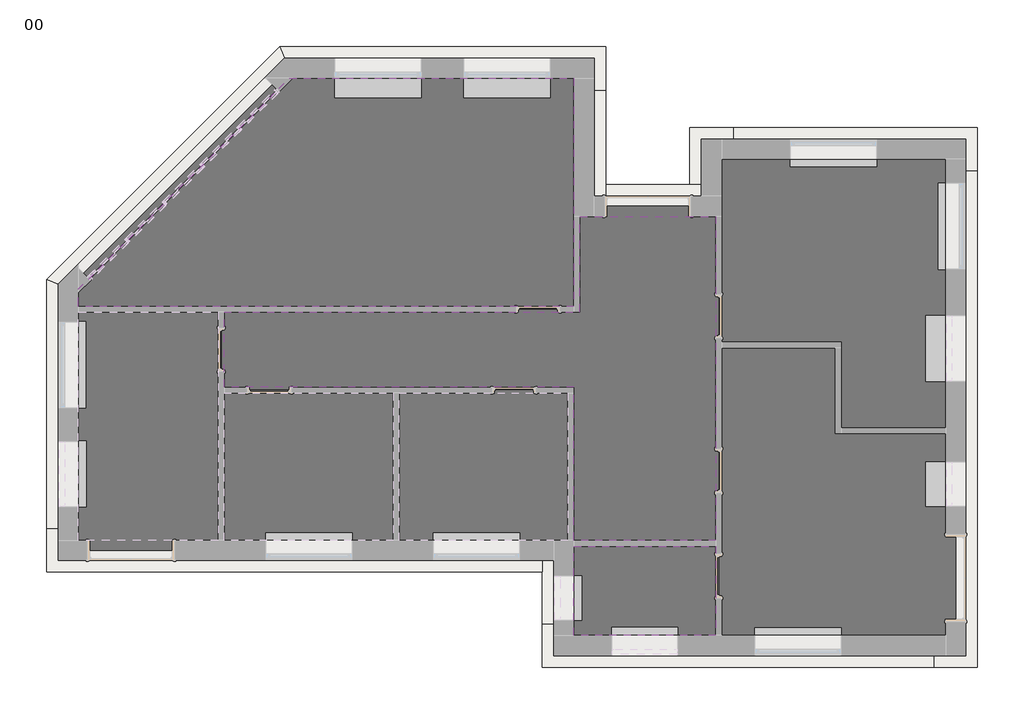
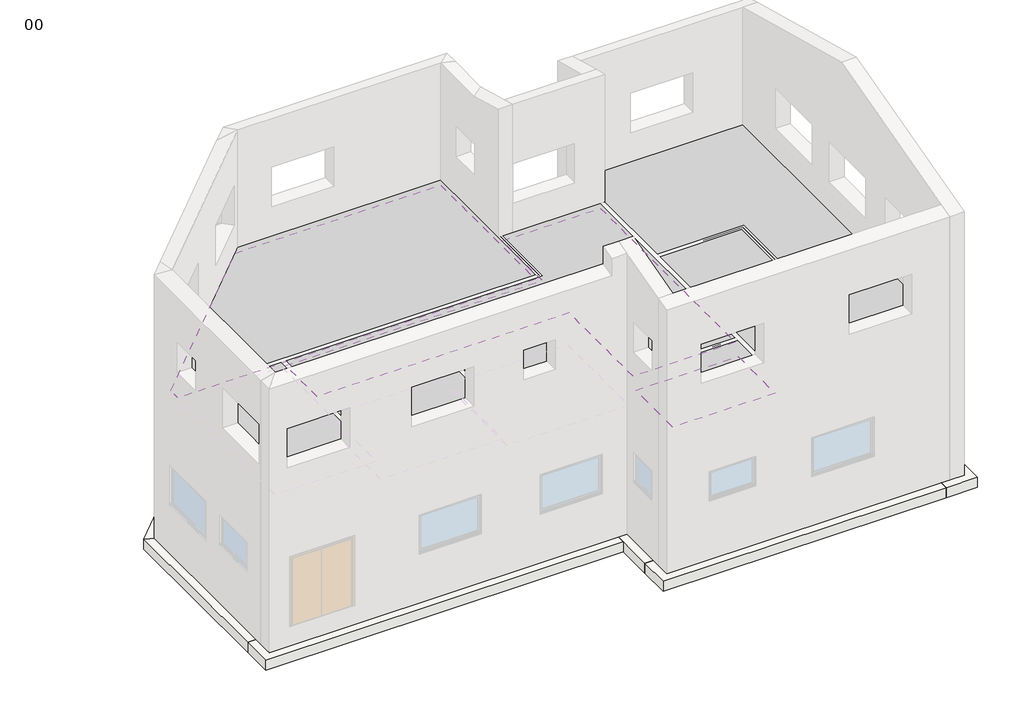
# One storey, part 3 of 3: 16 proxies, 11 footings, 3 coverings, 1 slab.
"""IFC4 building model written with IfcOpenShell, lengths in millimetres."""

from ifc_helpers import new_model, si_unit, frame, origin, place, context, project, spatial, polyline, outline, extrude, faceted_brep, element, save

model = new_model("IFC4")

# Units and contexts
model_context = context("Model", 3, world=origin())
ifc_project = project(units=[si_unit("LENGTHUNIT", "METRE", prefix="MILLI")], contexts=[model_context])

# Site, building, storey
site = spatial("IfcSite", under=ifc_project)
building = spatial("IfcBuilding", under=site)
storey = spatial("IfcBuildingStorey", under=building, Name="00", Elevation=0.0)

# Proxies
placement = place(None, origin())
element("IfcBuildingElementProxy", 1, Name="Generic Models", at=placement, inside=storey, context=model_context, shape_type="Brep", body=[
    faceted_brep([(-3724.4848228, 5823.5043909, 2110.0), (-1889.4848228, 5823.5043909, 2110.0), (-1889.4848228, 5192.0092682, 2110.0), (-3724.4848228, 5192.0092682, 2110.0), (-3724.4848228, 5823.5043909, 900.0), (-3724.4848228, 5192.0092682, 900.0), (-1889.4848228, 5823.5043909, 900.0), (-1889.4848228, 5192.0092682, 900.0), (-1014.4848228, 5823.5043909, 2110.0), (820.5151772, 5823.5043909, 2110.0), (820.5151772, 5192.0092682, 2110.0), (-1014.4848228, 5192.0092682, 2110.0), (-1014.4848228, 5823.5043909, 900.0), (-1014.4848228, 5192.0092682, 900.0), (820.5151772, 5823.5043909, 900.0), (820.5151772, 5192.0092682, 900.0), (1520.5151772, 2923.5043909, 0.0), (1520.5151772, 5823.5043909, 0.0), (1520.5151772, 5823.5043909, 4000.0), (1520.5151772, 2923.5043909, 4000.0), (1370.5151772, 2923.5043909, 0.0), (1370.5151772, 2923.5043909, 4000.0), (1370.5151772, 761.0043909, 0.0), (1370.5151772, 2770.4947909, 0.0), (1370.5151772, 2770.4947909, 4000.0), (1370.5151772, 761.0043909, 4000.0), (-9304.4848228, 761.0043909, 0.0), (-6091.9848228, 761.0043909, 0.0), (-6091.9848228, 761.0043909, 4000.0), (-9304.4848228, 761.0043909, 4000.0), (-9304.4848228, 1199.0247729, 0.0), (-9304.4848228, 1199.0247729, 4000.0), (-4680.0052048, 5823.5043909, 0.0), (-4680.0052048, 5823.5043909, 4000.0)], [[[0, 1, 2, 3]], [[4, 0, 3, 5]], [[6, 4, 5, 7]], [[5, 3, 2, 7]], [[1, 6, 7, 2]], [[8, 9, 10, 11]], [[12, 8, 11, 13]], [[14, 12, 13, 15]], [[13, 11, 10, 15]], [[9, 14, 15, 10]], [[16, 17, 18, 19]], [[20, 16, 19, 21]], [[22, 23, 20, 21, 24, 25]], [[26, 27, 22, 25, 28, 29]], [[30, 26, 29, 31]], [[32, 30, 31, 33]], [[17, 32, 33, 18], [4, 6, 1, 0], [12, 14, 9, 8]], [[18, 33, 31, 29, 28, 25, 24, 21, 19]], [[32, 17, 16, 20, 23, 22, 27, 26, 30]]]),
])
element("IfcBuildingElementProxy", 2, Name="Generic Models", at=placement, inside=storey, context=model_context, shape_type="Brep", body=[
    faceted_brep([(-9304.4848228, -3392.7456091, 2110.0), (-9304.4848228, -2007.7456091, 2110.0), (-8923.1857983, -2007.7456091, 2110.0), (-8923.1857983, -3392.7456091, 2110.0), (-9304.4848228, -3392.7456091, 1200.0), (-8923.1857983, -3392.7456091, 1200.0), (-9304.4848228, -2007.7456091, 1200.0), (-8923.1857983, -2007.7456091, 1200.0), (-9304.4848228, -1323.9956091, 2110.0), (-9304.4848228, 511.0043909, 2110.0), (-8923.1857983, 511.0043909, 2110.0), (-8923.1857983, -1323.9956091, 2110.0), (-9304.4848228, -1323.9956091, 900.0), (-8923.1857983, -1323.9956091, 900.0), (-9304.4848228, 511.0043909, 900.0), (-8923.1857983, 511.0043909, 900.0), (-9304.4848228, 761.0043909, 0.0), (-9304.4848228, -4301.4956091, 0.0), (-9304.4848228, -4301.4956091, 4000.0), (-9304.4848228, 761.0043909, 4000.0), (-6091.9848228, 761.0043909, 0.0), (-6091.9848228, 761.0043909, 4000.0), (-6091.9848228, -4301.4956091, 0.0), (-6091.9848228, -938.9956091, 0.0), (-6091.9848228, -938.9956091, 4000.0), (-6091.9848228, -4301.4956091, 4000.0)], [[[0, 1, 2, 3]], [[4, 0, 3, 5]], [[6, 4, 5, 7]], [[1, 6, 7, 2]], [[5, 3, 2, 7]], [[8, 9, 10, 11]], [[12, 8, 11, 13]], [[14, 12, 13, 15]], [[9, 14, 15, 10]], [[13, 11, 10, 15]], [[16, 17, 18, 19], [4, 6, 1, 0], [12, 14, 9, 8]], [[20, 16, 19, 21]], [[22, 23, 20, 21, 24, 25]], [[17, 22, 25, 18]], [[18, 25, 24, 21, 19]], [[22, 17, 16, 20, 23]]]),
])
element("IfcBuildingElementProxy", 3, Name="Generic Models", at=placement, inside=storey, context=model_context, shape_type="Brep", body=[
    faceted_brep([(-3336.9848228, -4301.4956091, 2110.0), (-5171.9848228, -4301.4956091, 2110.0), (-5171.9848228, -3920.1965846, 2110.0), (-3336.9848228, -3920.1965846, 2110.0), (-3336.9848228, -4301.4956091, 900.0), (-3336.9848228, -3920.1965846, 900.0), (-5171.9848228, -4301.4956091, 900.0), (-5171.9848228, -3920.1965846, 900.0), (-6091.9848228, -938.9956091, 0.0), (-6091.9848228, -4301.4956091, 0.0), (-6091.9848228, -4301.4956091, 4000.0), (-6091.9848228, -938.9956091, 4000.0), (-2416.9848228, -938.9956091, 0.0), (-2416.9848228, -938.9956091, 4000.0), (-2416.9848228, -4301.4956091, 0.0), (-2416.9848228, -4301.4956091, 4000.0)], [[[0, 1, 2, 3]], [[4, 0, 3, 5]], [[6, 4, 5, 7]], [[1, 6, 7, 2]], [[5, 3, 2, 7]], [[8, 9, 10, 11]], [[12, 8, 11, 13]], [[14, 12, 13, 15]], [[9, 14, 15, 10], [4, 6, 1, 0]], [[10, 15, 13, 11]], [[14, 9, 8, 12]]]),
])
element("IfcBuildingElementProxy", 4, Name="Generic Models", at=placement, inside=storey, context=model_context, shape_type="Brep", body=[
    faceted_brep([(181.7651772, -4301.4956091, 2110.0), (-1653.2348228, -4301.4956091, 2110.0), (-1653.2348228, -3920.1965846, 2110.0), (181.7651772, -3920.1965846, 2110.0), (181.7651772, -4301.4956091, 900.0), (181.7651772, -3920.1965846, 900.0), (-1653.2348228, -4301.4956091, 900.0), (-1653.2348228, -3920.1965846, 900.0), (-2416.9848228, -938.9956091, 0.0), (-2416.9848228, -4301.4956091, 0.0), (-2416.9848228, -4301.4956091, 4000.0), (-2416.9848228, -938.9956091, 4000.0), (1245.5151772, -938.9956091, 0.0), (1245.5151772, -938.9956091, 4000.0), (1245.5151772, -4301.4956091, 0.0), (1245.5151772, -4301.4956091, 4000.0)], [[[0, 1, 2, 3]], [[4, 0, 3, 5]], [[6, 4, 5, 7]], [[1, 6, 7, 2]], [[5, 3, 2, 7]], [[8, 9, 10, 11]], [[12, 8, 11, 13]], [[14, 12, 13, 15]], [[9, 14, 15, 10], [4, 6, 1, 0]], [[10, 15, 13, 11]], [[14, 9, 8, 12]]]),
])
element("IfcBuildingElementProxy", 5, Name="Generic Models", at=placement, inside=storey, context=model_context, shape_type="Brep", body=[
    faceted_brep([(9320.5151772, 629.7543909, 2110.0), (9320.5151772, -755.2456091, 2110.0), (8689.0200545, -755.2456091, 2110.0), (8689.0200545, 629.7543909, 2110.0), (9320.5151772, 629.7543909, 1200.0), (8689.0200545, 629.7543909, 1200.0), (9320.5151772, -755.2456091, 1200.0), (8689.0200545, -755.2456091, 1200.0), (9320.5151772, 3423.5043909, 2110.0), (9320.5151772, 1588.5043909, 2110.0), (8939.2161526, 1588.5043909, 2110.0), (8939.2161526, 3423.5043909, 2110.0), (9320.5151772, 3423.5043909, 900.0), (8939.2161526, 3423.5043909, 900.0), (9320.5151772, 1588.5043909, 900.0), (8939.2161526, 1588.5043909, 900.0), (5840.5151772, 4123.5043909, 2110.0), (7675.5151772, 4123.5043909, 2110.0), (7675.5151772, 3742.2053664, 2110.0), (5840.5151772, 3742.2053664, 2110.0), (5840.5151772, 4123.5043909, 900.0), (5840.5151772, 3742.2053664, 900.0), (7675.5151772, 4123.5043909, 900.0), (7675.5151772, 3742.2053664, 900.0), (9320.5151772, 4123.5043909, 0.0), (4195.5151772, 4123.5043909, 0.0), (4195.5151772, 4123.5043909, 4000.0), (9320.5151772, 4123.5043909, 4000.0), (9320.5151772, -1788.9956091, 0.0), (9320.5151772, -1788.9956091, 4000.0), (6858.0151772, -1788.9956091, 0.0), (6858.0151772, -1788.9956091, 4000.0), (6858.0151772, 11.0043909, 0.0), (6858.0151772, 11.0043909, 4000.0), (4345.5151772, 11.0043909, 0.0), (4345.5151772, 11.0043909, 4000.0), (4345.5151772, 2923.5043909, 0.0), (4345.5151772, 2770.4947909, 0.0), (4345.5151772, 2770.4947909, 4000.0), (4345.5151772, 2923.5043909, 4000.0), (4195.5151772, 2923.5043909, 0.0), (4195.5151772, 2923.5043909, 4000.0)], [[[0, 1, 2, 3]], [[4, 0, 3, 5]], [[6, 4, 5, 7]], [[1, 6, 7, 2]], [[5, 3, 2, 7]], [[8, 9, 10, 11]], [[12, 8, 11, 13]], [[14, 12, 13, 15]], [[9, 14, 15, 10]], [[13, 11, 10, 15]], [[16, 17, 18, 19]], [[20, 16, 19, 21]], [[22, 20, 21, 23]], [[21, 19, 18, 23]], [[17, 22, 23, 18]], [[24, 25, 26, 27], [20, 22, 17, 16]], [[28, 24, 27, 29], [4, 6, 1, 0], [12, 14, 9, 8]], [[30, 28, 29, 31]], [[32, 30, 31, 33]], [[34, 32, 33, 35]], [[36, 37, 34, 35, 38, 39]], [[40, 36, 39, 41]], [[25, 40, 41, 26]], [[26, 41, 39, 38, 35, 33, 31, 29, 27]], [[40, 25, 24, 28, 30, 32, 34, 37, 36]]]),
])
element("IfcBuildingElementProxy", 6, Name="Generic Models", at=placement, inside=storey, context=model_context, shape_type="Brep", body=[
    faceted_brep([(9320.5151772, -2447.7456091, 2110.0), (9320.5151772, -3382.7456091, 2110.0), (8689.0200545, -3382.7456091, 2110.0), (8689.0200545, -2447.7456091, 2110.0), (9320.5151772, -2447.7456091, 1200.0), (8689.0200545, -2447.7456091, 1200.0), (9320.5151772, -3382.7456091, 1200.0), (8689.0200545, -3382.7456091, 1200.0), (6930.5151772, -6301.4956091, 2110.0), (5095.5151772, -6301.4956091, 2110.0), (5095.5151772, -5920.1965846, 2110.0), (6930.5151772, -5920.1965846, 2110.0), (6930.5151772, -6301.4956091, 900.0), (6930.5151772, -5920.1965846, 900.0), (5095.5151772, -6301.4956091, 900.0), (5095.5151772, -5920.1965846, 900.0), (4345.5151772, -6301.4956091, 0.0), (9320.5151772, -6301.4956091, 0.0), (9320.5151772, -6301.4956091, 4000.0), (4345.5151772, -6301.4956091, 4000.0), (4345.5151772, 11.0043909, 0.0), (4345.5151772, -4151.4956091, 0.0), (4345.5151772, -4151.4956091, 4000.0), (4345.5151772, 11.0043909, 4000.0), (6858.0151772, 11.0043909, 0.0), (6858.0151772, 11.0043909, 4000.0), (6858.0151772, -1788.9956091, 0.0), (6858.0151772, -1788.9956091, 4000.0), (9320.5151772, -1788.9956091, 0.0), (9320.5151772, -1788.9956091, 4000.0)], [[[0, 1, 2, 3]], [[4, 0, 3, 5]], [[6, 4, 5, 7]], [[1, 6, 7, 2]], [[5, 3, 2, 7]], [[8, 9, 10, 11]], [[12, 8, 11, 13]], [[14, 12, 13, 15]], [[9, 14, 15, 10]], [[13, 11, 10, 15]], [[16, 17, 18, 19], [12, 14, 9, 8]], [[20, 21, 16, 19, 22, 23]], [[24, 20, 23, 25]], [[26, 24, 25, 27]], [[28, 26, 27, 29]], [[17, 28, 29, 18], [4, 6, 1, 0]], [[18, 29, 27, 25, 23, 22, 19]], [[28, 17, 16, 21, 20, 24, 26]]]),
])
element("IfcBuildingElementProxy", 7, Name="Generic Models", at=placement, inside=storey, context=model_context, shape_type="Brep", body=[
    faceted_brep([(1095.5151772, -5768.9956091, 2110.0), (1095.5151772, -4833.9956091, 2110.0), (1476.8142017, -4833.9956091, 2110.0), (1476.8142017, -5768.9956091, 2110.0), (1095.5151772, -5768.9956091, 1200.0), (1476.8142017, -5768.9956091, 1200.0), (1095.5151772, -4833.9956091, 1200.0), (1476.8142017, -4833.9956091, 1200.0), (3488.0151772, -6301.4956091, 2110.0), (2103.0151772, -6301.4956091, 2110.0), (2103.0151772, -5920.1965846, 2110.0), (3488.0151772, -5920.1965846, 2110.0), (3488.0151772, -6301.4956091, 1200.0), (3488.0151772, -5920.1965846, 1200.0), (2103.0151772, -6301.4956091, 1200.0), (2103.0151772, -5920.1965846, 1200.0), (1095.5151772, -4151.4956091, 0.0), (1095.5151772, -6301.4956091, 0.0), (1095.5151772, -6301.4956091, 4000.0), (1095.5151772, -4151.4956091, 4000.0), (4345.5151772, -4151.4956091, 0.0), (4345.5151772, -4151.4956091, 4000.0), (4345.5151772, -6301.4956091, 0.0), (4345.5151772, -6301.4956091, 4000.0)], [[[0, 1, 2, 3]], [[4, 0, 3, 5]], [[6, 4, 5, 7]], [[1, 6, 7, 2]], [[5, 3, 2, 7]], [[8, 9, 10, 11]], [[12, 8, 11, 13]], [[14, 12, 13, 15]], [[9, 14, 15, 10]], [[13, 11, 10, 15]], [[16, 17, 18, 19], [4, 6, 1, 0]], [[20, 16, 19, 21]], [[22, 20, 21, 23]], [[17, 22, 23, 18], [12, 14, 9, 8]], [[18, 23, 21, 19]], [[22, 17, 16, 20]]]),
])
element("IfcBuildingElementProxy", 8, Name="Generic Models", at=placement, inside=storey, context=model_context, shape_type="Brep", body=[
    faceted_brep([(4345.5151772, -4151.4956091, 0.0), (4345.5151772, 11.0043909, 0.0), (4345.5151772, 2923.5043909, 0.0), (4345.5151772, 2923.5043909, 4000.0), (4345.5151772, 11.0043909, 4000.0), (4345.5151772, -4151.4956091, 4000.0), (1245.5151772, -4151.4956091, 0.0), (1248.5247772, -4151.4956091, 0.0), (1248.5247772, -4151.4956091, 4000.0), (1245.5151772, -4151.4956091, 4000.0), (1245.5151772, -938.9956091, 0.0), (1245.5151772, -4148.4860091, 0.0), (1245.5151772, -4148.4860091, 4000.0), (1245.5151772, -938.9956091, 4000.0), (-6091.9848228, -938.9956091, 0.0), (-2416.9848228, -938.9956091, 0.0), (-2416.9848228, -938.9956091, 4000.0), (-6091.9848228, -938.9956091, 4000.0), (-6091.9848228, 761.0043909, 0.0), (-6091.9848228, 761.0043909, 4000.0), (1370.5151772, 761.0043909, 0.0), (1370.5151772, 761.0043909, 4000.0), (1370.5151772, 2923.5043909, 0.0), (1370.5151772, 2923.5043909, 4000.0)], [[[0, 1, 2, 3, 4, 5]], [[6, 7, 0, 5, 8, 9]], [[10, 11, 6, 9, 12, 13]], [[14, 15, 10, 13, 16, 17]], [[18, 14, 17, 19]], [[20, 18, 19, 21]], [[22, 20, 21, 23]], [[2, 22, 23, 3]], [[3, 23, 21, 19, 17, 16, 13, 12, 9, 8, 5, 4]], [[22, 2, 1, 0, 7, 6, 11, 10, 15, 14, 18, 20]]]),
])
element("IfcBuildingElementProxy", 9, Name="Generic Models", at=placement, inside=storey, context=model_context, shape_type="Brep", body=[
    faceted_brep([(-3724.4848228, 5823.5043909, 2110.0), (-1889.4848228, 5823.5043909, 2110.0), (-1889.4848228, 5192.0092682, 2110.0), (-3724.4848228, 5192.0092682, 2110.0), (-3724.4848228, 5823.5043909, 900.0), (-3724.4848228, 5192.0092682, 900.0), (-1889.4848228, 5823.5043909, 900.0), (-1889.4848228, 5192.0092682, 900.0), (-1014.4848228, 5823.5043909, 2110.0), (820.5151772, 5823.5043909, 2110.0), (820.5151772, 5192.0092682, 2110.0), (-1014.4848228, 5192.0092682, 2110.0), (-1014.4848228, 5823.5043909, 900.0), (-1014.4848228, 5192.0092682, 900.0), (820.5151772, 5823.5043909, 900.0), (820.5151772, 5192.0092682, 900.0), (1520.5151772, 2923.5043909, 0.0), (1520.5151772, 5823.5043909, 0.0), (1520.5151772, 5823.5043909, 4000.0), (1520.5151772, 2923.5043909, 4000.0), (1370.5151772, 2923.5043909, 0.0), (1370.5151772, 2923.5043909, 4000.0), (1370.5151772, 761.0043909, 0.0), (1370.5151772, 2770.4947909, 0.0), (1370.5151772, 2770.4947909, 4000.0), (1370.5151772, 761.0043909, 4000.0), (-9304.4848228, 761.0043909, 0.0), (-6091.9848228, 761.0043909, 0.0), (-6091.9848228, 761.0043909, 4000.0), (-9304.4848228, 761.0043909, 4000.0), (-9304.4848228, 1199.0247729, 0.0), (-9304.4848228, 1199.0247729, 4000.0), (-4680.0052048, 5823.5043909, 0.0), (-4680.0052048, 5823.5043909, 4000.0)], [[[0, 1, 2, 3]], [[4, 0, 3, 5]], [[6, 4, 5, 7]], [[5, 3, 2, 7]], [[1, 6, 7, 2]], [[8, 9, 10, 11]], [[12, 8, 11, 13]], [[14, 12, 13, 15]], [[13, 11, 10, 15]], [[9, 14, 15, 10]], [[16, 17, 18, 19]], [[20, 16, 19, 21]], [[22, 23, 20, 21, 24, 25]], [[26, 27, 22, 25, 28, 29]], [[30, 26, 29, 31]], [[32, 30, 31, 33]], [[17, 32, 33, 18], [4, 6, 1, 0], [12, 14, 9, 8]], [[18, 33, 31, 29, 28, 25, 24, 21, 19]], [[32, 17, 16, 20, 23, 22, 27, 26, 30]]]),
])
element("IfcBuildingElementProxy", 10, Name="Generic Models", at=placement, inside=storey, context=model_context, shape_type="Brep", body=[
    faceted_brep([(-9304.4848228, -3392.7456091, 2110.0), (-9304.4848228, -2007.7456091, 2110.0), (-8923.1857983, -2007.7456091, 2110.0), (-8923.1857983, -3392.7456091, 2110.0), (-9304.4848228, -3392.7456091, 1200.0), (-8923.1857983, -3392.7456091, 1200.0), (-9304.4848228, -2007.7456091, 1200.0), (-8923.1857983, -2007.7456091, 1200.0), (-9304.4848228, -1323.9956091, 2110.0), (-9304.4848228, 511.0043909, 2110.0), (-8923.1857983, 511.0043909, 2110.0), (-8923.1857983, -1323.9956091, 2110.0), (-9304.4848228, -1323.9956091, 900.0), (-8923.1857983, -1323.9956091, 900.0), (-9304.4848228, 511.0043909, 900.0), (-8923.1857983, 511.0043909, 900.0), (-9304.4848228, 761.0043909, 0.0), (-9304.4848228, -4301.4956091, 0.0), (-9304.4848228, -4301.4956091, 4000.0), (-9304.4848228, 761.0043909, 4000.0), (-6091.9848228, 761.0043909, 0.0), (-6091.9848228, 761.0043909, 4000.0), (-6091.9848228, -4301.4956091, 0.0), (-6091.9848228, -938.9956091, 0.0), (-6091.9848228, -938.9956091, 4000.0), (-6091.9848228, -4301.4956091, 4000.0)], [[[0, 1, 2, 3]], [[4, 0, 3, 5]], [[6, 4, 5, 7]], [[1, 6, 7, 2]], [[5, 3, 2, 7]], [[8, 9, 10, 11]], [[12, 8, 11, 13]], [[14, 12, 13, 15]], [[9, 14, 15, 10]], [[13, 11, 10, 15]], [[16, 17, 18, 19], [4, 6, 1, 0], [12, 14, 9, 8]], [[20, 16, 19, 21]], [[22, 23, 20, 21, 24, 25]], [[17, 22, 25, 18]], [[18, 25, 24, 21, 19]], [[22, 17, 16, 20, 23]]]),
])
element("IfcBuildingElementProxy", 11, Name="Generic Models", at=placement, inside=storey, context=model_context, shape_type="Brep", body=[
    faceted_brep([(-3336.9848228, -4301.4956091, 2110.0), (-5171.9848228, -4301.4956091, 2110.0), (-5171.9848228, -3920.1965846, 2110.0), (-3336.9848228, -3920.1965846, 2110.0), (-3336.9848228, -4301.4956091, 900.0), (-3336.9848228, -3920.1965846, 900.0), (-5171.9848228, -4301.4956091, 900.0), (-5171.9848228, -3920.1965846, 900.0), (-6091.9848228, -938.9956091, 0.0), (-6091.9848228, -4301.4956091, 0.0), (-6091.9848228, -4301.4956091, 4000.0), (-6091.9848228, -938.9956091, 4000.0), (-2416.9848228, -938.9956091, 0.0), (-2416.9848228, -938.9956091, 4000.0), (-2416.9848228, -4301.4956091, 0.0), (-2416.9848228, -4301.4956091, 4000.0)], [[[0, 1, 2, 3]], [[4, 0, 3, 5]], [[6, 4, 5, 7]], [[1, 6, 7, 2]], [[5, 3, 2, 7]], [[8, 9, 10, 11]], [[12, 8, 11, 13]], [[14, 12, 13, 15]], [[9, 14, 15, 10], [4, 6, 1, 0]], [[10, 15, 13, 11]], [[14, 9, 8, 12]]]),
])
element("IfcBuildingElementProxy", 12, Name="Generic Models", at=placement, inside=storey, context=model_context, shape_type="Brep", body=[
    faceted_brep([(181.7651772, -4301.4956091, 2110.0), (-1653.2348228, -4301.4956091, 2110.0), (-1653.2348228, -3920.1965846, 2110.0), (181.7651772, -3920.1965846, 2110.0), (181.7651772, -4301.4956091, 900.0), (181.7651772, -3920.1965846, 900.0), (-1653.2348228, -4301.4956091, 900.0), (-1653.2348228, -3920.1965846, 900.0), (-2416.9848228, -938.9956091, 0.0), (-2416.9848228, -4301.4956091, 0.0), (-2416.9848228, -4301.4956091, 4000.0), (-2416.9848228, -938.9956091, 4000.0), (1245.5151772, -938.9956091, 0.0), (1245.5151772, -938.9956091, 4000.0), (1245.5151772, -4301.4956091, 0.0), (1245.5151772, -4301.4956091, 4000.0)], [[[0, 1, 2, 3]], [[4, 0, 3, 5]], [[6, 4, 5, 7]], [[1, 6, 7, 2]], [[5, 3, 2, 7]], [[8, 9, 10, 11]], [[12, 8, 11, 13]], [[14, 12, 13, 15]], [[9, 14, 15, 10], [4, 6, 1, 0]], [[10, 15, 13, 11]], [[14, 9, 8, 12]]]),
])
element("IfcBuildingElementProxy", 13, Name="Generic Models", at=placement, inside=storey, context=model_context, shape_type="Brep", body=[
    faceted_brep([(9320.5151772, 629.7543909, 2110.0), (9320.5151772, -755.2456091, 2110.0), (8689.0200545, -755.2456091, 2110.0), (8689.0200545, 629.7543909, 2110.0), (9320.5151772, 629.7543909, 1200.0), (8689.0200545, 629.7543909, 1200.0), (9320.5151772, -755.2456091, 1200.0), (8689.0200545, -755.2456091, 1200.0), (9320.5151772, 3423.5043909, 2110.0), (9320.5151772, 1588.5043909, 2110.0), (8939.2161526, 1588.5043909, 2110.0), (8939.2161526, 3423.5043909, 2110.0), (9320.5151772, 3423.5043909, 900.0), (8939.2161526, 3423.5043909, 900.0), (9320.5151772, 1588.5043909, 900.0), (8939.2161526, 1588.5043909, 900.0), (5840.5151772, 4123.5043909, 2110.0), (7675.5151772, 4123.5043909, 2110.0), (7675.5151772, 3742.2053664, 2110.0), (5840.5151772, 3742.2053664, 2110.0), (5840.5151772, 4123.5043909, 900.0), (5840.5151772, 3742.2053664, 900.0), (7675.5151772, 4123.5043909, 900.0), (7675.5151772, 3742.2053664, 900.0), (9320.5151772, 4123.5043909, 0.0), (4195.5151772, 4123.5043909, 0.0), (4195.5151772, 4123.5043909, 4000.0), (9320.5151772, 4123.5043909, 4000.0), (9320.5151772, -1788.9956091, 0.0), (9320.5151772, -1788.9956091, 4000.0), (6858.0151772, -1788.9956091, 0.0), (6858.0151772, -1788.9956091, 4000.0), (6858.0151772, 11.0043909, 0.0), (6858.0151772, 11.0043909, 4000.0), (4345.5151772, 11.0043909, 0.0), (4345.5151772, 11.0043909, 4000.0), (4345.5151772, 2923.5043909, 0.0), (4345.5151772, 2770.4947909, 0.0), (4345.5151772, 2770.4947909, 4000.0), (4345.5151772, 2923.5043909, 4000.0), (4195.5151772, 2923.5043909, 0.0), (4195.5151772, 2923.5043909, 4000.0)], [[[0, 1, 2, 3]], [[4, 0, 3, 5]], [[6, 4, 5, 7]], [[1, 6, 7, 2]], [[5, 3, 2, 7]], [[8, 9, 10, 11]], [[12, 8, 11, 13]], [[14, 12, 13, 15]], [[9, 14, 15, 10]], [[13, 11, 10, 15]], [[16, 17, 18, 19]], [[20, 16, 19, 21]], [[22, 20, 21, 23]], [[21, 19, 18, 23]], [[17, 22, 23, 18]], [[24, 25, 26, 27], [20, 22, 17, 16]], [[28, 24, 27, 29], [4, 6, 1, 0], [12, 14, 9, 8]], [[30, 28, 29, 31]], [[32, 30, 31, 33]], [[34, 32, 33, 35]], [[36, 37, 34, 35, 38, 39]], [[40, 36, 39, 41]], [[25, 40, 41, 26]], [[26, 41, 39, 38, 35, 33, 31, 29, 27]], [[40, 25, 24, 28, 30, 32, 34, 37, 36]]]),
])
element("IfcBuildingElementProxy", 14, Name="Generic Models", at=placement, inside=storey, context=model_context, shape_type="Brep", body=[
    faceted_brep([(9320.5151772, -2447.7456091, 2110.0), (9320.5151772, -3382.7456091, 2110.0), (8689.0200545, -3382.7456091, 2110.0), (8689.0200545, -2447.7456091, 2110.0), (9320.5151772, -2447.7456091, 1200.0), (8689.0200545, -2447.7456091, 1200.0), (9320.5151772, -3382.7456091, 1200.0), (8689.0200545, -3382.7456091, 1200.0), (6930.5151772, -6301.4956091, 2110.0), (5095.5151772, -6301.4956091, 2110.0), (5095.5151772, -5920.1965846, 2110.0), (6930.5151772, -5920.1965846, 2110.0), (6930.5151772, -6301.4956091, 900.0), (6930.5151772, -5920.1965846, 900.0), (5095.5151772, -6301.4956091, 900.0), (5095.5151772, -5920.1965846, 900.0), (4345.5151772, -6301.4956091, 0.0), (9320.5151772, -6301.4956091, 0.0), (9320.5151772, -6301.4956091, 4000.0), (4345.5151772, -6301.4956091, 4000.0), (4345.5151772, 11.0043909, 0.0), (4345.5151772, -4151.4956091, 0.0), (4345.5151772, -4151.4956091, 4000.0), (4345.5151772, 11.0043909, 4000.0), (6858.0151772, 11.0043909, 0.0), (6858.0151772, 11.0043909, 4000.0), (6858.0151772, -1788.9956091, 0.0), (6858.0151772, -1788.9956091, 4000.0), (9320.5151772, -1788.9956091, 0.0), (9320.5151772, -1788.9956091, 4000.0)], [[[0, 1, 2, 3]], [[4, 0, 3, 5]], [[6, 4, 5, 7]], [[1, 6, 7, 2]], [[5, 3, 2, 7]], [[8, 9, 10, 11]], [[12, 8, 11, 13]], [[14, 12, 13, 15]], [[9, 14, 15, 10]], [[13, 11, 10, 15]], [[16, 17, 18, 19], [12, 14, 9, 8]], [[20, 21, 16, 19, 22, 23]], [[24, 20, 23, 25]], [[26, 24, 25, 27]], [[28, 26, 27, 29]], [[17, 28, 29, 18], [4, 6, 1, 0]], [[18, 29, 27, 25, 23, 22, 19]], [[28, 17, 16, 21, 20, 24, 26]]]),
])
element("IfcBuildingElementProxy", 15, Name="Generic Models", at=placement, inside=storey, context=model_context, shape_type="Brep", body=[
    faceted_brep([(1095.5151772, -5768.9956091, 2110.0), (1095.5151772, -4833.9956091, 2110.0), (1476.8142017, -4833.9956091, 2110.0), (1476.8142017, -5768.9956091, 2110.0), (1095.5151772, -5768.9956091, 1200.0), (1476.8142017, -5768.9956091, 1200.0), (1095.5151772, -4833.9956091, 1200.0), (1476.8142017, -4833.9956091, 1200.0), (3488.0151772, -6301.4956091, 2110.0), (2103.0151772, -6301.4956091, 2110.0), (2103.0151772, -5920.1965846, 2110.0), (3488.0151772, -5920.1965846, 2110.0), (3488.0151772, -6301.4956091, 1200.0), (3488.0151772, -5920.1965846, 1200.0), (2103.0151772, -6301.4956091, 1200.0), (2103.0151772, -5920.1965846, 1200.0), (1095.5151772, -4151.4956091, 0.0), (1095.5151772, -6301.4956091, 0.0), (1095.5151772, -6301.4956091, 4000.0), (1095.5151772, -4151.4956091, 4000.0), (4345.5151772, -4151.4956091, 0.0), (4345.5151772, -4151.4956091, 4000.0), (4345.5151772, -6301.4956091, 0.0), (4345.5151772, -6301.4956091, 4000.0)], [[[0, 1, 2, 3]], [[4, 0, 3, 5]], [[6, 4, 5, 7]], [[1, 6, 7, 2]], [[5, 3, 2, 7]], [[8, 9, 10, 11]], [[12, 8, 11, 13]], [[14, 12, 13, 15]], [[9, 14, 15, 10]], [[13, 11, 10, 15]], [[16, 17, 18, 19], [4, 6, 1, 0]], [[20, 16, 19, 21]], [[22, 20, 21, 23]], [[17, 22, 23, 18], [12, 14, 9, 8]], [[18, 23, 21, 19]], [[22, 17, 16, 20]]]),
])
element("IfcBuildingElementProxy", 16, Name="Generic Models", at=placement, inside=storey, context=model_context, shape_type="Brep", body=[
    faceted_brep([(4345.5151772, -4151.4956091, 0.0), (4345.5151772, 11.0043909, 0.0), (4345.5151772, 2923.5043909, 0.0), (4345.5151772, 2923.5043909, 4000.0), (4345.5151772, 11.0043909, 4000.0), (4345.5151772, -4151.4956091, 4000.0), (1245.5151772, -4151.4956091, 0.0), (1248.5247772, -4151.4956091, 0.0), (1248.5247772, -4151.4956091, 4000.0), (1245.5151772, -4151.4956091, 4000.0), (1245.5151772, -938.9956091, 0.0), (1245.5151772, -4148.4860091, 0.0), (1245.5151772, -4148.4860091, 4000.0), (1245.5151772, -938.9956091, 4000.0), (-6091.9848228, -938.9956091, 0.0), (-2416.9848228, -938.9956091, 0.0), (-2416.9848228, -938.9956091, 4000.0), (-6091.9848228, -938.9956091, 4000.0), (-6091.9848228, 761.0043909, 0.0), (-6091.9848228, 761.0043909, 4000.0), (1370.5151772, 761.0043909, 0.0), (1370.5151772, 761.0043909, 4000.0), (1370.5151772, 2923.5043909, 0.0), (1370.5151772, 2923.5043909, 4000.0)], [[[0, 1, 2, 3, 4, 5]], [[6, 7, 0, 5, 8, 9]], [[10, 11, 6, 9, 12, 13]], [[14, 15, 10, 13, 16, 17]], [[18, 14, 17, 19]], [[20, 18, 19, 21]], [[22, 20, 21, 23]], [[2, 22, 23, 3]], [[3, 23, 21, 19, 17, 16, 13, 12, 9, 8, 5, 4]], [[22, 2, 1, 0, 7, 6, 11, 10, 15, 14, 18, 20]]]),
])

# Coverings
element("IfcCovering", 17, ObjectType="Ceiling_CompoundGeneric", at=placement, inside=storey, context=model_context, shape_type="SweptSolid", body=[
    extrude(outline(polyline([(1433.0151772, 698.5043909), (1433.0151772, 2711.0043909), (4283.0151772, 2711.0043909), (4283.0151772, -4088.9956091), (1308.0151772, -4088.9956091), (1308.0151772, -876.4956091), (-6029.4848228, -876.4956091), (-6029.4848228, 698.5043909), (1433.0151772, 698.5043909)])), frame((0.0, 0.0, 3850.0), z_axis=(0.0, 0.0, 1.0), x_axis=(1.0, 0.0, 0.0)), (0.0, 0.0, 1.0), 52.0),
])
element("IfcCovering", 18, ObjectType="Ceiling_CompoundGeneric", at=placement, inside=storey, context=model_context, shape_type="SweptSolid", body=[
    extrude(outline(polyline([(4283.0151772, -6088.9956091), (1308.0151772, -6088.9956091), (1308.0151772, -4213.9956091), (4283.0151772, -4213.9956091), (4283.0151772, -6088.9956091)])), frame((0.0, 0.0, 3500.0), z_axis=(0.0, 0.0, 1.0), x_axis=(1.0, 0.0, 0.0)), (0.0, 0.0, 1.0), 52.0),
])
element("IfcCovering", 19, ObjectType="Ceiling_CompoundGeneric", at=placement, inside=storey, context=model_context, shape_type="SweptSolid", body=[
    extrude(outline(polyline([(1308.0151772, 5611.0043909), (1308.0151772, 823.5043909), (-9091.9848228, 823.5043909), (-9091.9848228, 1181.715069), (-4662.6955009, 5611.0043909), (1308.0151772, 5611.0043909)])), frame((0.0, 0.0, 3850.0), z_axis=(0.0, 0.0, 1.0), x_axis=(1.0, 0.0, 0.0)), (0.0, 0.0, 1.0), 52.0),
])

# Footings
element("IfcFooting", 20, ObjectType="StructuralFoundation_WallFoundation", at=placement, inside=storey, context=model_context, shape_type="Brep", body=[
    faceted_brep([(-4490.6267641, 5366.3043909, -600.0), (1063.3151772, 5366.3043909, -600.0), (1977.7151772, 5366.3043909, -600.0), (1977.7151772, 6280.7043909, -600.0), (-4869.3836455, 6280.7043909, -600.0), (-4869.3836455, 6280.7043909, -904.8), (1977.7151772, 6280.7043909, -904.8), (-4490.6267641, 5366.3043909, -904.8), (1977.7151772, 5366.3043909, -904.8), (1063.3151772, 5366.3043909, -904.8)], [[[0, 1, 2, 3, 4]], [[5, 4, 3, 6]], [[7, 5, 6, 8, 9]], [[0, 7, 9, 8, 2, 1]], [[3, 2, 8, 6]], [[0, 4, 5, 7]]]),
])
element("IfcFooting", 21, ObjectType="StructuralFoundation_WallFoundation", at=placement, inside=storey, context=model_context, shape_type="Brep", body=[
    faceted_brep([(1063.3151772, 2466.3043909, -600.0), (1977.7151772, 2466.3043909, -600.0), (1977.7151772, 3380.7043909, -600.0), (1977.7151772, 5366.3043909, -600.0), (1063.3151772, 5366.3043909, -600.0), (1977.7151772, 2466.3043909, -904.8), (1977.7151772, 3380.7043909, -904.8), (1977.7151772, 5366.3043909, -904.8), (1063.3151772, 2466.3043909, -904.8), (1063.3151772, 5366.3043909, -904.8)], [[[0, 1, 2, 3, 4]], [[1, 5, 6, 7, 3, 2]], [[5, 8, 9, 7, 6]], [[8, 0, 4, 9]], [[1, 0, 8, 5]], [[4, 3, 7, 9]]]),
])
element("IfcFooting", 22, ObjectType="StructuralFoundation_WallFoundation", at=placement, inside=storey, context=model_context, shape_type="Brep", body=[
    faceted_brep([(4652.7151772, 2466.3043909, -600.0), (4652.7151772, 3380.7043909, -600.0), (3738.3151772, 3380.7043909, -600.0), (1977.7151772, 3380.7043909, -600.0), (1977.7151772, 2466.3043909, -600.0), (4652.7151772, 3380.7043909, -904.8), (3738.3151772, 3380.7043909, -904.8), (1977.7151772, 3380.7043909, -904.8), (4652.7151772, 2466.3043909, -904.8), (1977.7151772, 2466.3043909, -904.8)], [[[0, 1, 2, 3, 4]], [[1, 5, 6, 7, 3, 2]], [[5, 8, 9, 7, 6]], [[8, 0, 4, 9]], [[1, 0, 8, 5]], [[4, 3, 7, 9]]]),
])
element("IfcFooting", 23, ObjectType="StructuralFoundation_WallFoundation", at=placement, inside=storey, context=model_context, shape_type="Brep", body=[
    faceted_brep([(4652.7151772, 4580.7043909, -600.0), (3738.3151772, 4580.7043909, -600.0), (3738.3151772, 3380.7043909, -600.0), (4652.7151772, 3380.7043909, -600.0), (4652.7151772, 3666.3043909, -600.0), (3738.3151772, 4580.7043909, -904.8), (3738.3151772, 3380.7043909, -904.8), (4652.7151772, 4580.7043909, -904.8), (4652.7151772, 3666.3043909, -904.8), (4652.7151772, 3380.7043909, -904.8)], [[[0, 1, 2, 3, 4]], [[1, 5, 6, 2]], [[5, 7, 8, 9, 6]], [[7, 0, 4, 3, 9, 8]], [[1, 0, 7, 5]], [[3, 2, 6, 9]]]),
])
element("IfcFooting", 24, ObjectType="StructuralFoundation_WallFoundation", at=placement, inside=storey, context=model_context, shape_type="Brep", body=[
    faceted_brep([(9777.7151772, 3666.3043909, -600.0), (9777.7151772, 4580.7043909, -600.0), (4652.7151772, 4580.7043909, -600.0), (4652.7151772, 3666.3043909, -600.0), (8863.3151772, 3666.3043909, -600.0), (9777.7151772, 4580.7043909, -904.8), (4652.7151772, 4580.7043909, -904.8), (9777.7151772, 3666.3043909, -904.8), (8863.3151772, 3666.3043909, -904.8), (4652.7151772, 3666.3043909, -904.8)], [[[0, 1, 2, 3, 4]], [[1, 5, 6, 2]], [[5, 7, 8, 9, 6]], [[7, 0, 4, 3, 9, 8]], [[1, 0, 7, 5]], [[3, 2, 6, 9]]]),
])
element("IfcFooting", 25, ObjectType="StructuralFoundation_WallFoundation", at=placement, inside=storey, context=model_context, shape_type="Brep", body=[
    faceted_brep([(8863.3151772, -6758.6956091, -600.0), (9777.7151772, -6758.6956091, -600.0), (9777.7151772, 3666.3043909, -600.0), (8863.3151772, 3666.3043909, -600.0), (8863.3151772, -5844.2956091, -600.0), (9777.7151772, -6758.6956091, -904.8), (9777.7151772, 3666.3043909, -904.8), (8863.3151772, -6758.6956091, -904.8), (8863.3151772, -5844.2956091, -904.8), (8863.3151772, 3666.3043909, -904.8)], [[[0, 1, 2, 3, 4]], [[1, 5, 6, 2]], [[5, 7, 8, 9, 6]], [[7, 0, 4, 3, 9, 8]], [[1, 0, 7, 5]], [[3, 2, 6, 9]]]),
])
element("IfcFooting", 26, ObjectType="StructuralFoundation_WallFoundation", at=placement, inside=storey, context=model_context, shape_type="Brep", body=[
    faceted_brep([(638.3151772, -5844.2956091, -600.0), (638.3151772, -6758.6956091, -600.0), (8863.3151772, -6758.6956091, -600.0), (8863.3151772, -5844.2956091, -600.0), (1552.7151772, -5844.2956091, -600.0), (638.3151772, -6758.6956091, -904.8), (8863.3151772, -6758.6956091, -904.8), (638.3151772, -5844.2956091, -904.8), (1552.7151772, -5844.2956091, -904.8), (8863.3151772, -5844.2956091, -904.8)], [[[0, 1, 2, 3, 4]], [[1, 5, 6, 2]], [[5, 7, 8, 9, 6]], [[7, 0, 4, 3, 9, 8]], [[1, 0, 7, 5]], [[3, 2, 6, 9]]]),
])
element("IfcFooting", 27, ObjectType="StructuralFoundation_WallFoundation", at=placement, inside=storey, context=model_context, shape_type="Brep", body=[
    faceted_brep([(1552.7151772, -3844.2956091, -600.0), (638.3151772, -3844.2956091, -600.0), (638.3151772, -4758.6956091, -600.0), (638.3151772, -5844.2956091, -600.0), (1552.7151772, -5844.2956091, -600.0), (638.3151772, -3844.2956091, -904.8), (638.3151772, -4758.6956091, -904.8), (638.3151772, -5844.2956091, -904.8), (1552.7151772, -3844.2956091, -904.8), (1552.7151772, -5844.2956091, -904.8)], [[[0, 1, 2, 3, 4]], [[1, 5, 6, 7, 3, 2]], [[5, 8, 9, 7, 6]], [[8, 0, 4, 9]], [[1, 0, 8, 5]], [[4, 3, 7, 9]]]),
])
element("IfcFooting", 28, ObjectType="StructuralFoundation_WallFoundation", at=placement, inside=storey, context=model_context, shape_type="Brep", body=[
    faceted_brep([(-9761.6848228, -3844.2956091, -600.0), (-9761.6848228, -4758.6956091, -600.0), (638.3151772, -4758.6956091, -600.0), (638.3151772, -3844.2956091, -600.0), (-8847.2848228, -3844.2956091, -600.0), (-9761.6848228, -4758.6956091, -904.8), (638.3151772, -4758.6956091, -904.8), (-9761.6848228, -3844.2956091, -904.8), (-8847.2848228, -3844.2956091, -904.8), (638.3151772, -3844.2956091, -904.8)], [[[0, 1, 2, 3, 4]], [[1, 5, 6, 2]], [[5, 7, 8, 9, 6]], [[7, 0, 4, 3, 9, 8]], [[1, 0, 7, 5]], [[3, 2, 6, 9]]]),
])
element("IfcFooting", 29, ObjectType="StructuralFoundation_WallFoundation", at=placement, inside=storey, context=model_context, shape_type="SweptSolid", body=[
    extrude(outline(polyline([(-9761.6848228, 1388.4032136), (-8847.2848228, 1009.6463322), (-8847.2848228, -3844.2956091), (-9761.6848228, -3844.2956091), (-9761.6848228, 1388.4032136)])), frame((0.0, 0.0, -904.8), z_axis=(0.0, 0.0, 1.0), x_axis=(1.0, 0.0, 0.0)), (0.0, 0.0, 1.0), 304.8),
])
element("IfcFooting", 30, ObjectType="StructuralFoundation_WallFoundation", at=placement, inside=storey, context=model_context, shape_type="SweptSolid", body=[
    extrude(outline(polyline([(-9761.6848228, 1388.4032136), (-4869.3836455, 6280.7043909), (-4490.6267641, 5366.3043909), (-8847.2848228, 1009.6463322), (-9761.6848228, 1388.4032136)])), frame((0.0, 0.0, -904.8), z_axis=(0.0, 0.0, 1.0), x_axis=(1.0, 0.0, 0.0)), (0.0, 0.0, 1.0), 304.8),
])

# Slab
element("IfcSlab", 31, ObjectType="Floor_Generic", at=placement, inside=storey, context=model_context, shape_type="SweptSolid", body=[
    extrude(outline(polyline([(1420.5151772, 5723.5043909), (1420.5151772, 2823.5043909), (4295.5151772, 2823.5043909), (4295.5151772, 4023.5043909), (9220.5151772, 4023.5043909), (9220.5151772, -6201.4956091), (1195.5151772, -6201.4956091), (1195.5151772, -4201.4956091), (-9204.4848228, -4201.4956091), (-9204.4848228, 1157.6034167), (-4638.5838486, 5723.5043909), (1420.5151772, 5723.5043909)])), frame((0.0, 0.0, -200.0), z_axis=(0.0, 0.0, 1.0), x_axis=(1.0, 0.0, 0.0)), (0.0, 0.0, 1.0), 200.0),
])

save(model, "model.ifc")
